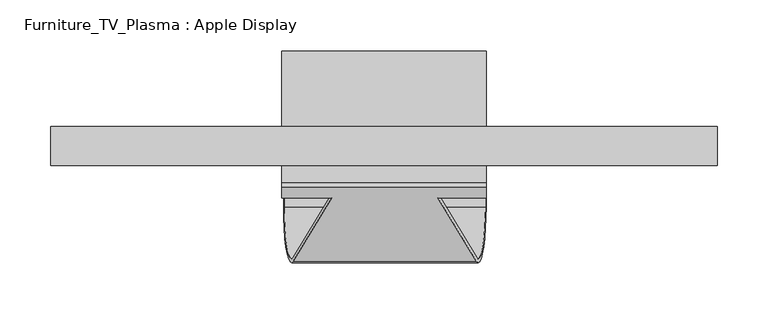
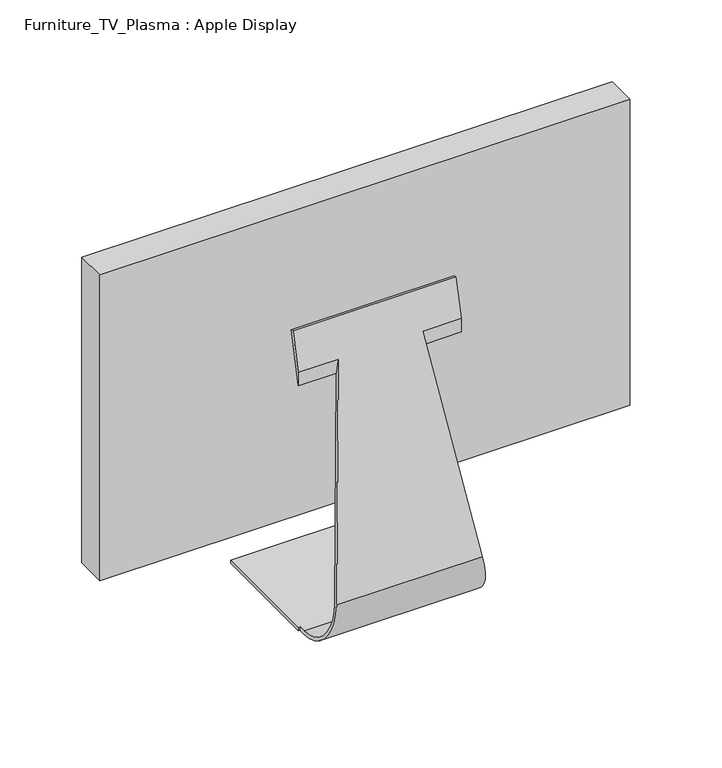
"""IFC4 building model written with IfcOpenShell, lengths in millimetres: furniture geometry, Furniture_TV_Plasma : Apple Display."""

from ifc_helpers import new_model, si_unit, frame, origin, place, context, project, spatial, polyline, ellipse_curve, outline, extrude, faceted_brep, source, transform, mapped, element, save
from ifc_brep_helpers import plane_surface, cylinder_surface, revolved_surface, advanced_brep


def furniture_tv_plasma_apple_display_4a4593bd(model_context):
    return source(origin(), model_context, "Body", "SolidModel", [
        faceted_brep([(383.65, 21.9, 398.0), (383.65, 60.0, 398.0), (-269.35, 60.0, 398.0), (-269.35, 21.9, 398.0), (383.65, 21.9, 0.0), (-269.35, 21.9, 0.0), (-269.35, 60.0, 0.0), (383.65, 60.0, 0.0), (345.55, 60.0, 359.10625), (-231.25, 60.0, 359.10625), (-231.25, 60.0, 38.1), (345.55, 60.0, 38.1), (345.55, 45.2720413, 359.10625), (345.55, 45.2720413, 38.1), (-231.25, 45.2720413, 38.1), (-231.25, 45.2720413, 359.10625)], [[[0, 1, 2, 3]], [[4, 5, 6, 7]], [[3, 5, 4, 0]], [[2, 6, 5, 3]], [[1, 7, 6, 2], [8, 9, 10, 11]], [[0, 4, 7, 1]], [[12, 13, 14, 15]], [[12, 8, 11, 13]], [[13, 11, 10, 14]], [[14, 10, 9, 15]], [[15, 9, 8, 12]]]),
        extrude(outline(polyline([(345.55, 60.0), (345.55, 45.2720413), (-230.9762958, 45.2720413), (-230.9762958, 60.0), (345.55, 60.0)])), frame((0.0, 0.0, 38.1), z_axis=(0.0, 0.0, 1.0), x_axis=(1.0, 0.0, 0.0)), (0.0, 0.0, 1.0), 320.2836662),
        advanced_brep(
        [(-43.195394, 134.3619871, -125.0), (-43.195394, -10.0535206, -125.0), (-43.195394, -10.0535206, -121.0), (-43.195394, 134.3619871, -121.0), (-43.195394, 4.7972845, 257.997676), (-43.195394, -10.0535206, 193.6717723), (-43.195394, -10.0535206, 211.4534183), (-43.195394, 0.8998042, 258.8974803), (157.3308479, 0.8998042, 258.8974803), (157.3308479, -10.0535206, 211.4534183), (157.3308479, -10.0535206, 193.6717723), (157.3308479, 4.7972845, 257.997676), (157.3308479, 134.3619871, -121.0), (157.3308479, -10.0535206, -121.0), (157.3308479, -10.0535206, -125.0), (157.3308479, 134.3619871, -125.0), (157.2355387, -18.5854362, -125.0), (-41.3745215, -18.5854362, -125.0), (-41.3745215, -10.0535206, -125.0), (-40.8137121, -10.0535206, -121.0), (-40.8137121, -18.5854362, -121.0), (156.6747293, -18.5854362, -121.0), (156.6747293, -10.0535206, -121.0), (-32.0549203, -68.2783095, -58.5274962), (147.9159375, -68.2783095, -58.5274962), (112.5570076, -10.0535206, 193.6717723), (3.3040095, -10.0535206, 193.6717723), (5.7970381, -10.0535206, 211.4534183), (-31.9287657, -72.1757898, -57.627692), (147.7897829, -72.1757898, -57.627692), (110.0639791, -10.0535206, 211.4534183)],
        [
            (0, 1),
            (1, 2),
            (2, 3),
            (3, 0),
            (4, 5),
            (5, 6),
            (6, 7),
            (7, 4),
            (8, 9),
            (9, 10),
            (10, 11),
            (11, 8),
            (12, 13),
            (13, 14),
            (14, 15),
            (15, 12),
            (14, 16),
            (16, 17),
            (17, 18),
            (18, 1),
            (0, 15),
            (3, 12),
            (2, 19),
            (19, 20),
            (20, 21),
            (21, 22),
            (22, 13),
            (20, 23, ellipse_curve(frame((-33.6633923, -18.5854362, -70.0), z_axis=(-0.9903142119859866, 0.0, 0.13884437885119635), x_axis=(0.13884437885119547, 0.0, 0.9903142119859865)), 51.4988065, 51.0)),
            (23, 24),
            (24, 21, ellipse_curve(frame((149.5244095, -18.5854362, -70.0), z_axis=(0.9903142119859871, 0.0, 0.13884437885119302), x_axis=(0.13884437885119072, 0.0, -0.9903142119859873)), 51.4988065, 51.0)),
            (10, 25),
            (25, 24),
            (23, 26),
            (26, 5),
            (4, 11),
            (7, 8),
            (6, 27),
            (27, 28),
            (28, 29),
            (29, 30),
            (30, 9),
            (16, 29, ellipse_curve(frame((149.5244095, -18.5854362, -70.0), z_axis=(-0.9903142119859871, 0.0, -0.13884437885119302), x_axis=(-0.13884437885119072, 0.0, 0.9903142119859873)), 55.5379286, 55.0)),
            (28, 17, ellipse_curve(frame((-33.6633923, -18.5854362, -70.0), z_axis=(0.9903142119859866, 0.0, -0.13884437885119635), x_axis=(-0.13884437885119547, 0.0, -0.9903142119859865)), 55.5379286, 55.0)),
            (30, 25),
            (26, 27),
            (22, 14),
            (18, 19),
        ],
        [
            plane_surface(frame((-43.195394, 134.3619871, -125.0), z_axis=(-1.0, 0.0, 0.0), x_axis=(0.0, 1.0, 0.0))),
            plane_surface(frame((157.3308479, 134.3619871, -125.0), z_axis=(1.0, 0.0, 0.0), x_axis=(0.0, -1.0, 0.0))),
            plane_surface(frame((-43.195394, -18.5854362, -125.0), z_axis=(0.0, 0.0, -1.0), x_axis=(1.0, 0.0, 0.0))),
            plane_surface(frame((-43.195394, 134.3619871, -125.0), z_axis=(0.0, 1.0, 0.0), x_axis=(1.0, 0.0, 0.0))),
            plane_surface(frame((-43.195394, 134.3619871, -121.0), z_axis=(0.0, 0.0, 1.0), x_axis=(1.0, 0.0, 0.0))),
            revolved_surface(polyline([(156.67472930007014, 32.414563799999996, -70.0), (-40.813712100070404, 32.414563799999996, -70.0)]), (157.3308479, -18.5854362, -70.0), (1.0, 0.0, 0.0)),
            plane_surface(frame((-43.195394, -68.2783095, -58.5274962), z_axis=(0.0, 0.9743700647852348, -0.2249510543438672), x_axis=(1.0, 0.0, 0.0))),
            plane_surface(frame((-43.195394, 4.7972845, 257.997676), z_axis=(0.0, 0.22495105434386342, 0.9743700647852356), x_axis=(1.0, 0.0, 0.0))),
            plane_surface(frame((-43.195394, 0.8998042, 258.8974803), z_axis=(0.0, -0.9743700647852348, 0.2249510543438673), x_axis=(1.0, 0.0, 0.0))),
            cylinder_surface(frame((157.3308479, -18.5854362, -70.0), z_axis=(-1.0, 0.0, 0.0), x_axis=(0.0, 1.0, 0.0)), 55.0),
            plane_surface(frame((161.6108429, -10.0535206, -156.2070678), z_axis=(0.0, -1.0000000000000002, 0.0), x_axis=(0.13884437885119302, 0.0, -0.9903142119859871))),
            plane_surface(frame((103.3981625, -10.0535206, 258.997676), z_axis=(0.9903142119859871, 0.0, 0.13884437885119302), x_axis=(0.0, -1.0, 0.0))),
            plane_surface(frame((-45.7498257, -10.0535206, -156.2070678), z_axis=(-0.9903142119859866, 0.0, 0.13884437885119635), x_axis=(0.0, -1.0, 0.0))),
        ],
        [
            (0, [[1, 2, 3, 4]]),
            (0, [[5, 6, 7, 8]]),
            (1, [[9, 10, 11, 12]]),
            (1, [[13, 14, 15, 16]]),
            (2, [[-15, 17, 18, 19, 20, -1, 21]]),
            (3, [[22, -16, -21, -4]]),
            (4, [[-3, 23, 24, 25, 26, 27, -13, -22]]),
            (5, [[28, 29, 30, -25]]),
            (6, [[-11, 31, 32, -29, 33, 34, -5, 35]]),
            (7, [[36, -12, -35, -8]]),
            (8, [[-7, 37, 38, 39, 40, 41, -9, -36]]),
            (9, [[42, -39, 43, -18]]),
            (10, [[-31, -10, -41, 44]]),
            (10, [[-37, -6, -34, 45]]),
            (10, [[-14, -27, 46]]),
            (10, [[-23, -2, -20, 47]]),
            (11, [[-26, -30, -32, -44, -40, -42, -17, -46]]),
            (12, [[-19, -43, -38, -45, -33, -28, -24, -47]]),
        ],
    ),
    ])


if __name__ == "__main__":
    model = new_model("IFC4")
    model_context = context("Model", 3, world=origin())
    ifc_project = project(units=[si_unit("LENGTHUNIT", "METRE", prefix="MILLI")], contexts=[model_context])
    site = spatial("IfcSite", under=ifc_project)
    building = spatial("IfcBuilding", under=site)
    placement = place(None, origin())
    furniture_tv_plasma_apple_display_shape = furniture_tv_plasma_apple_display_4a4593bd(model_context)
    element("IfcFurniture", 1, ObjectType="Furniture_TV_Plasma : Apple Display", at=placement, inside=building, context=model_context, shape_type="MappedRepresentation", body=[
        mapped(furniture_tv_plasma_apple_display_shape, transform((0.0, 0.0, 0.0), x_axis=(1.0, 0.0, 0.0), y_axis=(0.0, 1.0, 0.0), z_axis=(0.0, 0.0, 1.0))),
    ])
    save(model, "model.ifc")
